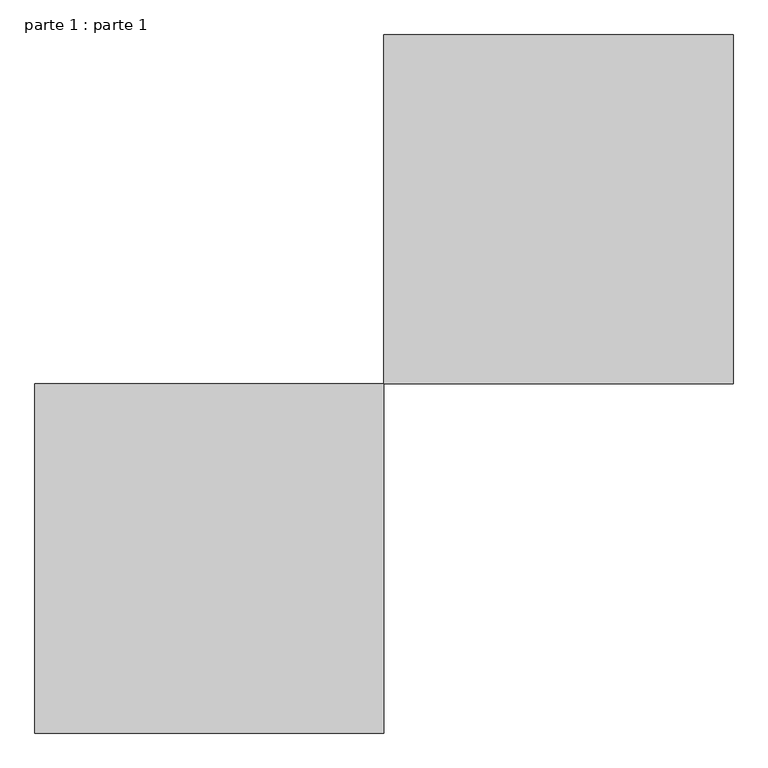
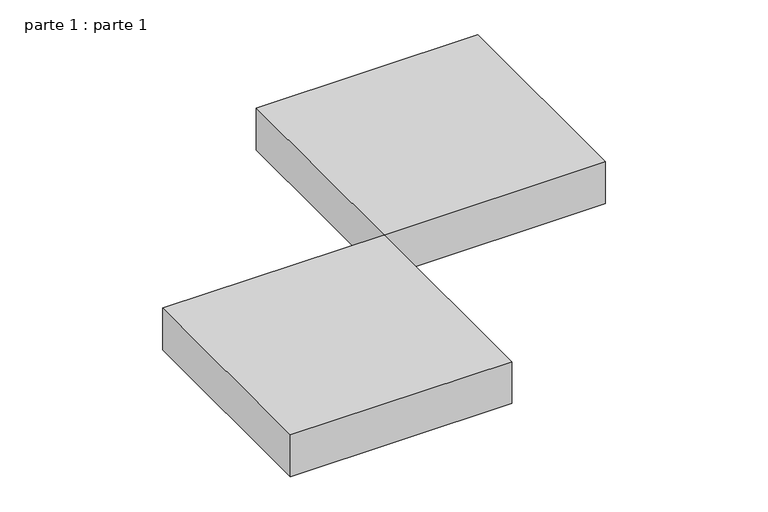
"""IFC4 building model written with IfcOpenShell, lengths in millimetres: proxy geometry, parte 1 : parte 1."""

from ifc_helpers import new_model, si_unit, frame, origin, place, context, project, spatial, polyline, outline, extrude, source, transform, mapped, element, save


def parte_1_parte_1_9999fd9b(model_context):
    return source(origin(), model_context, "Body", "SweptSolid", [
        extrude(outline(polyline([(1000.0, 1000.0), (1000.0, 500.0), (500.0, 500.0), (500.0, 1000.0), (1000.0, 1000.0)])), frame((0.0, 0.0, 600.0), z_axis=(0.0, 0.0, 1.0), x_axis=(1.0, 0.0, 0.0)), (0.0, 0.0, 1.0), 100.0),
        extrude(outline(polyline([(500.0, 0.0), (0.0, 0.0), (0.0, 500.0), (500.0, 500.0), (500.0, 0.0)])), frame((0.0, 0.0, 600.0), z_axis=(0.0, 0.0, 1.0), x_axis=(1.0, 0.0, 0.0)), (0.0, 0.0, 1.0), 100.0),
    ])


if __name__ == "__main__":
    model = new_model("IFC4")
    model_context = context("Model", 3, world=origin())
    ifc_project = project(units=[si_unit("LENGTHUNIT", "METRE", prefix="MILLI")], contexts=[model_context])
    site = spatial("IfcSite", under=ifc_project)
    building = spatial("IfcBuilding", under=site)
    placement = place(None, origin())
    parte_1_parte_1_shape = parte_1_parte_1_9999fd9b(model_context)
    element("IfcBuildingElementProxy", 1, Name="parte 1 : parte 1", ObjectType="parte 1 : parte 1", at=placement, inside=building, context=model_context, shape_type="MappedRepresentation", body=[
        mapped(parte_1_parte_1_shape, transform((0.0, 0.0, 0.0), x_axis=(1.0, 0.0, 0.0), y_axis=(0.0, 1.0, 0.0), z_axis=(0.0, 0.0, 1.0))),
    ])
    save(model, "model.ifc")
